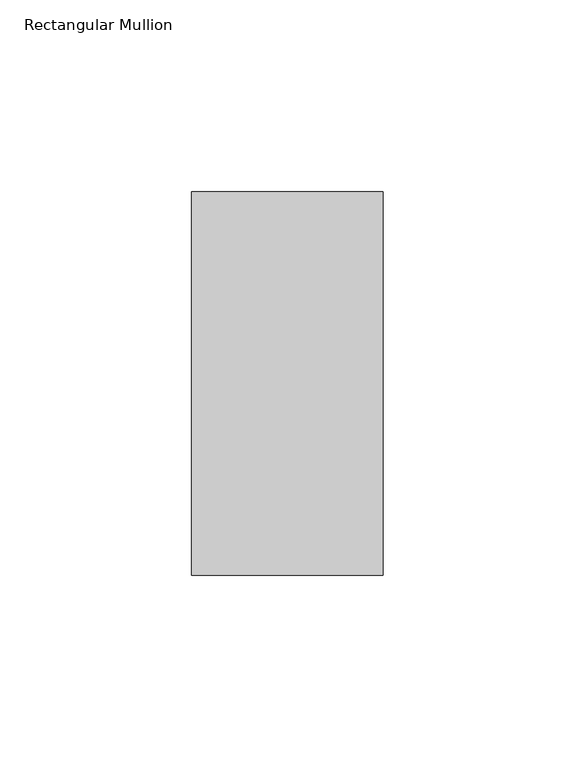
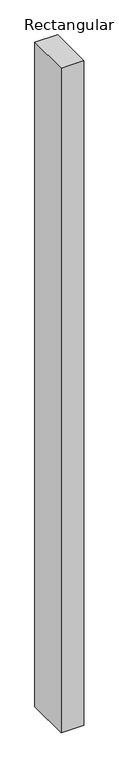
"""IFC4 building model written with IfcOpenShell, lengths in millimetres: member geometry, Rectangular Mullion."""

from ifc_helpers import new_model, si_unit, frame, origin, place, context, project, spatial, polyline, outline, extrude, source, transform, mapped, element, save


def rectangular_mullion_3955043a(model_context):
    return source(origin(), model_context, "Body", "SweptSolid", [
        extrude(outline(polyline([(0.0, 69.0), (0.0, -31.0), (-50.0, -31.0), (-50.0, 69.0), (0.0, 69.0)])), frame((0.0, 0.0, -1550.0), z_axis=(0.0, 0.0, 1.0), x_axis=(1.0, 0.0, 0.0)), (0.0, 0.0, 1.0), 1550.0),
    ])


if __name__ == "__main__":
    model = new_model("IFC4")
    model_context = context("Model", 3, world=origin())
    ifc_project = project(units=[si_unit("LENGTHUNIT", "METRE", prefix="MILLI")], contexts=[model_context])
    site = spatial("IfcSite", under=ifc_project)
    building = spatial("IfcBuilding", under=site)
    placement = place(None, origin())
    rectangular_mullion_shape = rectangular_mullion_3955043a(model_context)
    element("IfcMember", 1, ObjectType="Rectangular Mullion", at=placement, inside=building, context=model_context, shape_type="MappedRepresentation", body=[
        mapped(rectangular_mullion_shape, transform((0.0, 0.0, 0.0), x_axis=(1.0, 0.0, 0.0), y_axis=(0.0, 1.0, 0.0), z_axis=(0.0, 0.0, 1.0))),
    ])
    save(model, "model.ifc")
